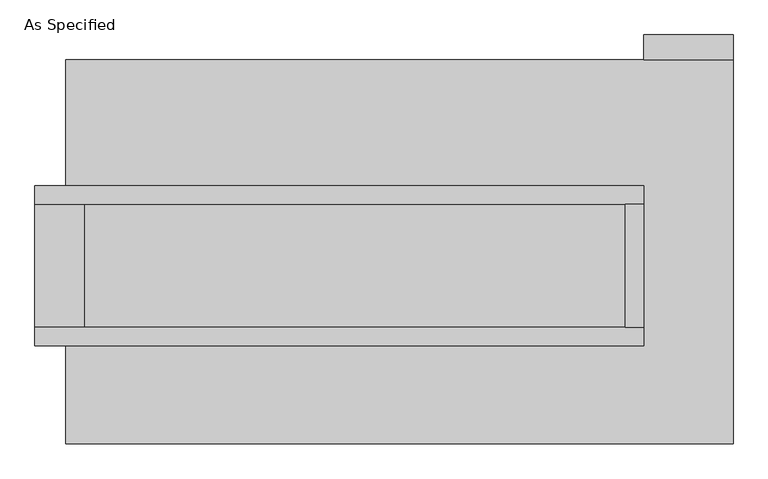
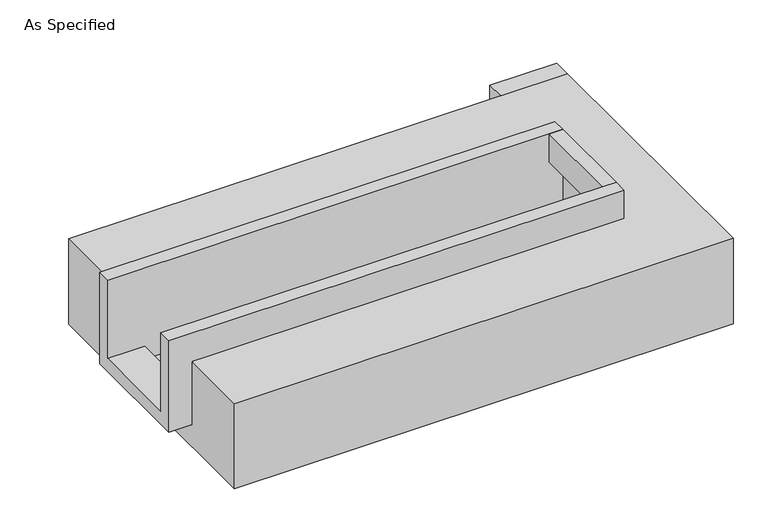
"""IFC4 building model written with IfcOpenShell, lengths in millimetres: proxy geometry, As Specified."""

from ifc_helpers import new_model, si_unit, frame, origin, place, context, project, spatial, polyline, outline, extrude, faceted_brep, source, transform, mapped, element, save


def as_specified_001258d7(model_context):
    return source(origin(), model_context, "Body", "SolidModel", [
        extrude(outline(polyline([(1479.55, 793.75), (1111.25, 793.75), (1111.25, 895.35), (1479.55, 895.35), (1479.55, 793.75)])), frame((0.0, 0.0, -523.9742188), z_axis=(0.0, 0.0, 1.0), x_axis=(1.0, 0.0, 0.0)), (0.0, 0.0, 1.0), 498.5742188),
        extrude(outline(polyline([(1035.05, 196.85), (1111.25, 196.85), (1111.25, -311.15), (1035.05, -311.15), (1035.05, 196.85)])), frame((0.0, 0.0, -25.4), z_axis=(0.0, 0.0, 1.0), x_axis=(1.0, 0.0, 0.0)), (0.0, 0.0, 1.0), 165.1),
        faceted_brep([(1111.25, 196.85, 139.7), (1111.25, 196.85, -317.5), (1111.25, -311.15, -317.5), (1111.25, -311.15, 139.7), (1111.25, -387.35, 139.7), (1111.25, -387.35, -393.7), (1111.25, 273.05, -393.7), (1111.25, 273.05, 139.7), (-1403.35, 196.85, 139.7), (-1403.35, 273.05, 139.7), (-1403.35, 273.05, -393.7), (-1403.35, -387.35, -393.7), (-1403.35, -387.35, 139.7), (-1403.35, -311.15, 139.7), (-1403.35, -311.15, -317.5), (-1403.35, 196.85, -317.5), (-1200.15, 196.85, -393.7), (-1200.15, -311.15, -393.7), (1035.05, -311.15, -393.7), (1035.05, 196.85, -393.7), (1035.05, -311.15, -317.5), (-1200.15, -311.15, -317.5), (1035.05, 196.85, -317.5), (-1200.15, 196.85, -317.5)], [[[0, 1, 2, 3, 4, 5, 6, 7]], [[8, 9, 10, 11, 12, 13, 14, 15]], [[0, 7, 9, 8]], [[7, 6, 10, 9]], [[6, 5, 11, 10], [16, 17, 18, 19]], [[4, 3, 13, 12]], [[3, 2, 20, 18, 17, 21, 14, 13]], [[2, 1, 22, 20]], [[15, 14, 21, 23]], [[1, 0, 8, 15, 23, 16, 19, 22]], [[21, 17, 16, 23]], [[18, 20, 22, 19]], [[5, 4, 12, 11]]]),
        faceted_brep([(1479.55, 793.75, -523.9742188), (1479.55, -793.75, -523.9742188), (-1276.35, -793.75, -523.9742188), (-1276.35, 793.75, -523.9742188), (-1276.35, 793.75, -25.4), (-1276.35, 273.05, -25.4), (1111.25, 273.05, -25.4), (1111.25, -387.35, -25.4), (-1276.35, -387.35, -25.4), (-1276.35, -793.75, -25.4), (1479.55, -793.75, -25.4), (1479.55, 793.75, -25.4), (-1276.35, -387.35, -393.7), (-1276.35, 273.05, -393.7), (1111.25, 273.05, -393.7), (1111.25, -387.35, -393.7)], [[[0, 1, 2, 3]], [[4, 5, 6, 7, 8, 9, 10, 11]], [[0, 3, 4, 11]], [[4, 3, 2, 9, 8, 12, 13, 5]], [[2, 1, 10, 9]], [[14, 15, 7, 6]], [[13, 14, 6, 5]], [[15, 14, 13, 12]], [[15, 12, 8, 7]], [[1, 0, 11, 10]]]),
    ])


if __name__ == "__main__":
    model = new_model("IFC4")
    model_context = context("Model", 3, world=origin())
    ifc_project = project(units=[si_unit("LENGTHUNIT", "METRE", prefix="MILLI")], contexts=[model_context])
    site = spatial("IfcSite", under=ifc_project)
    building = spatial("IfcBuilding", under=site)
    placement = place(None, origin())
    as_specified_shape = as_specified_001258d7(model_context)
    element("IfcBuildingElementProxy", 1, Name="As Specified", ObjectType="As Specified", at=placement, inside=building, context=model_context, shape_type="MappedRepresentation", body=[
        mapped(as_specified_shape, transform((0.0, 0.0, 0.0), x_axis=(1.0, 0.0, 0.0), y_axis=(0.0, 1.0, 0.0), z_axis=(0.0, 0.0, 1.0))),
    ])
    save(model, "model.ifc")
